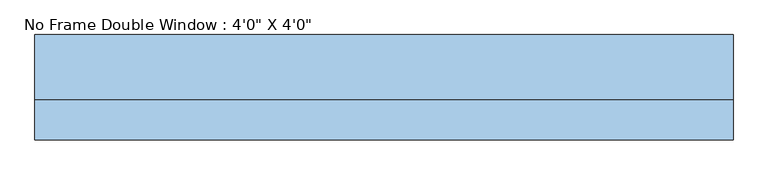
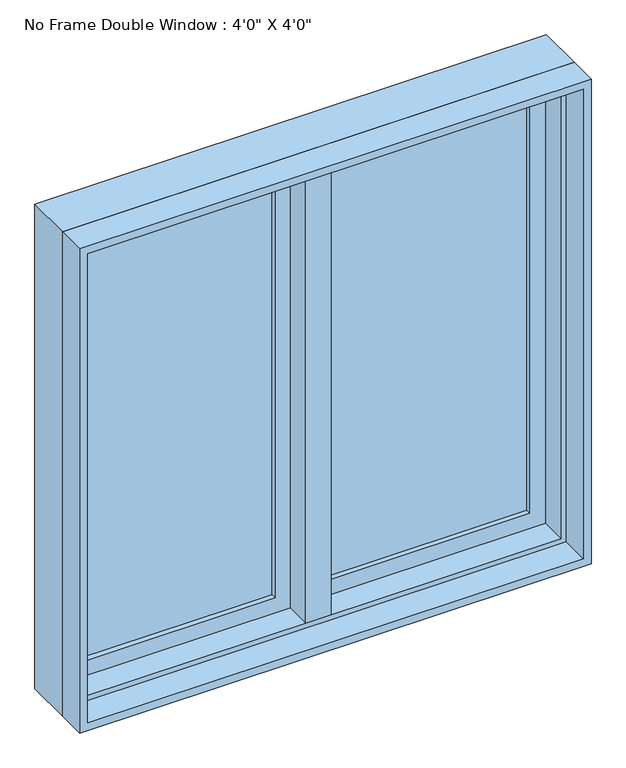
"""IFC4 building model written with IfcOpenShell, lengths in millimetres: window geometry."""

from ifc_helpers import new_model, si_unit, frame, origin, place, context, project, spatial, polyline, outline, extrude, faceted_brep, source, transform, mapped, element, save


def window_f87b1249(model_context):
    return source(origin(), model_context, "Body", "SolidModel", [
        faceted_brep([(9.525, 101.6, 2120.9), (-9.525, 101.6, 2120.9), (-9.525, 50.8, 2120.9), (9.525, 50.8, 2120.9), (9.525, 101.6, 927.1), (9.525, 50.8, 927.1), (-9.525, 50.8, 927.1), (-9.525, 101.6, 927.1), (-9.525, 50.8, 946.15), (-9.525, 50.8, 2101.85), (-30.1625, 50.8, 946.15), (-30.1625, 50.8, 2101.85), (-30.1625, -12.7, 946.15), (-30.1625, -12.7, 2101.85), (30.1625, -12.7, 946.15), (30.1625, -12.7, 2101.85), (30.1625, 50.8, 946.15), (30.1625, 50.8, 2101.85), (9.525, 50.8, 946.15), (9.525, 50.8, 2101.85)], [[[0, 1, 2, 3]], [[4, 5, 6, 7]], [[1, 0, 4, 7]], [[2, 1, 7, 6, 8, 9]], [[9, 8, 10, 11]], [[11, 10, 12, 13]], [[13, 12, 14, 15]], [[15, 14, 16, 17]], [[17, 16, 18, 19]], [[0, 3, 19, 18, 5, 4]], [[18, 8, 6, 5]], [[9, 19, 3, 2]], [[8, 18, 16, 14, 12, 10]], [[19, 9, 11, 13, 15, 17]]]),
        extrude(outline(polyline([(-66.675, 82.55), (-66.675, 76.2), (-539.75, 76.2), (-539.75, 82.55), (-66.675, 82.55)])), frame((0.0, 0.0, 984.25), z_axis=(0.0, 0.0, 1.0), x_axis=(1.0, 0.0, 0.0)), (0.0, 0.0, 1.0), 1079.5),
        extrude(outline(polyline([(-539.75, 63.5), (-539.75, 69.85), (-66.675, 69.85), (-66.675, 63.5), (-539.75, 63.5)])), frame((0.0, 0.0, 984.25), z_axis=(0.0, 0.0, 1.0), x_axis=(1.0, 0.0, 0.0)), (0.0, 0.0, 1.0), 1079.5),
        extrude(outline(polyline([(539.75, 82.55), (539.75, 76.2), (66.675, 76.2), (66.675, 82.55), (539.75, 82.55)])), frame((0.0, 0.0, 984.25), z_axis=(0.0, 0.0, 1.0), x_axis=(1.0, 0.0, 0.0)), (0.0, 0.0, 1.0), 1079.5),
        extrude(outline(polyline([(66.675, 63.5), (66.675, 69.85), (539.75, 69.85), (539.75, 63.5), (66.675, 63.5)])), frame((0.0, 0.0, 984.25), z_axis=(0.0, 0.0, 1.0), x_axis=(1.0, 0.0, 0.0)), (0.0, 0.0, 1.0), 1079.5),
        extrude(outline(polyline([(2120.9, -596.9), (927.1, -596.9), (927.1, -9.525), (2120.9, -9.525), (2120.9, -596.9)]), holes=[polyline([(2063.75, -66.675), (984.25, -66.675), (984.25, -539.75), (2063.75, -539.75), (2063.75, -66.675)])]), frame((0.0, 50.8, 0.0), z_axis=(0.0, 1.0, 0.0), x_axis=(0.0, 0.0, 1.0)), (0.0, 0.0, 1.0), 44.45),
        extrude(outline(polyline([(927.1, 596.9), (2120.9, 596.9), (2120.9, 9.525), (927.1, 9.525), (927.1, 596.9)]), holes=[polyline([(984.25, 66.675), (2063.75, 66.675), (2063.75, 539.75), (984.25, 539.75), (984.25, 66.675)])]), frame((0.0, 50.8, 0.0), z_axis=(0.0, 1.0, 0.0), x_axis=(0.0, 0.0, 1.0)), (0.0, 0.0, 1.0), 44.45),
        extrude(outline(polyline([(2133.6, -609.6), (914.4, -609.6), (914.4, 609.6), (2133.6, 609.6), (2133.6, -609.6)]), holes=[polyline([(2114.55, 590.55), (933.45, 590.55), (933.45, -590.55), (2114.55, -590.55), (2114.55, 590.55)])]), frame((0.0, -82.55, 0.0), z_axis=(0.0, 1.0, 0.0), x_axis=(0.0, 0.0, 1.0)), (0.0, 0.0, 1.0), 69.85),
        faceted_brep([(577.85, 50.8, 2101.85), (577.85, -12.7, 2101.85), (-577.85, -12.7, 2101.85), (-577.85, 50.8, 2101.85), (596.9, 101.6, 2120.9), (596.9, 50.8, 2120.9), (-596.9, 50.8, 2120.9), (-596.9, 101.6, 2120.9), (609.6, -12.7, 2133.6), (609.6, 101.6, 2133.6), (-609.6, 101.6, 2133.6), (-609.6, -12.7, 2133.6), (-577.85, -12.7, 946.15), (-577.85, 50.8, 946.15), (-596.9, 50.8, 927.1), (-596.9, 101.6, 927.1), (-609.6, 101.6, 914.4), (-609.6, -12.7, 914.4), (577.85, -12.7, 946.15), (577.85, 50.8, 946.15), (596.9, 50.8, 927.1), (596.9, 101.6, 927.1), (609.6, 101.6, 914.4), (609.6, -12.7, 914.4)], [[[0, 1, 2, 3]], [[4, 5, 6, 7]], [[8, 9, 10, 11]], [[3, 2, 12, 13]], [[7, 6, 14, 15]], [[11, 10, 16, 17]], [[13, 12, 18, 19]], [[15, 14, 20, 21]], [[17, 16, 22, 23]], [[11, 17, 23, 8], [1, 18, 12, 2]], [[19, 18, 1, 0]], [[5, 20, 14, 6], [3, 13, 19, 0]], [[21, 20, 5, 4]], [[23, 22, 9, 8]], [[9, 22, 16, 10], [7, 15, 21, 4]]]),
    ])


if __name__ == "__main__":
    model = new_model("IFC4")
    model_context = context("Model", 3, world=origin())
    ifc_project = project(units=[si_unit("LENGTHUNIT", "METRE", prefix="MILLI")], contexts=[model_context])
    site = spatial("IfcSite", under=ifc_project)
    building = spatial("IfcBuilding", under=site)
    placement = place(None, origin())
    window_shape = window_f87b1249(model_context)
    element("IfcWindow", 1, ObjectType="No Frame Double Window : 4'0\" X 4'0\"", at=placement, inside=building, context=model_context, shape_type="MappedRepresentation", body=[
        mapped(window_shape, transform((0.0, 0.0, 0.0), x_axis=(1.0, 0.0, 0.0), y_axis=(0.0, 1.0, 0.0), z_axis=(0.0, 0.0, 1.0))),
    ])
    save(model, "model.ifc")
